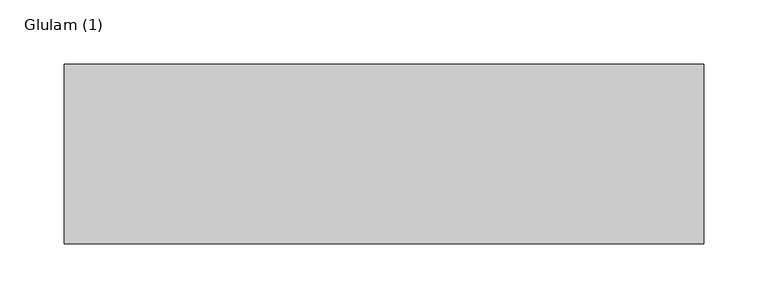
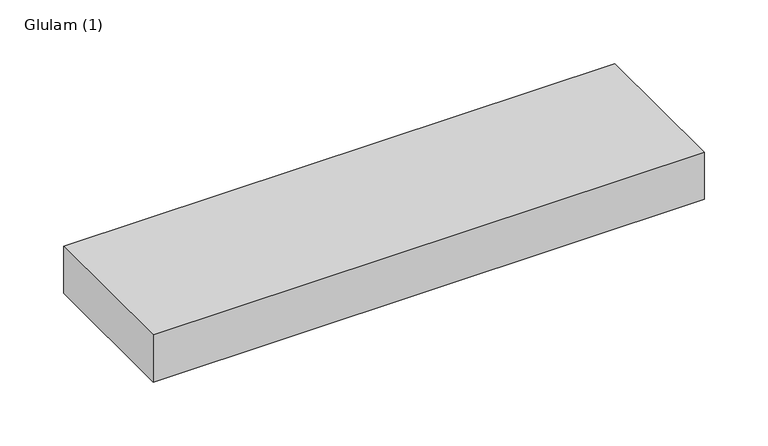
"""IFC4 building model written with IfcOpenShell, lengths in millimetres: beam geometry, Glulam (1)."""

from ifc_helpers import new_model, si_unit, frame, origin, place, context, project, spatial, polyline, outline, extrude, source, transform, mapped, element, save


def glulam_1_ee9db6f6(model_context):
    return source(origin(), model_context, "Body", "SweptSolid", [
        extrude(outline(polyline([(250.0, 70.0), (250.0, -70.0), (-249.0, -70.0), (-249.0, 70.0), (250.0, 70.0)])), frame((0.0, 0.0, -22.5), z_axis=(0.0, 0.0, 1.0), x_axis=(1.0, 0.0, 0.0)), (0.0, 0.0, 1.0), 45.0),
    ])


if __name__ == "__main__":
    model = new_model("IFC4")
    model_context = context("Model", 3, world=origin())
    ifc_project = project(units=[si_unit("LENGTHUNIT", "METRE", prefix="MILLI")], contexts=[model_context])
    site = spatial("IfcSite", under=ifc_project)
    building = spatial("IfcBuilding", under=site)
    placement = place(None, origin())
    glulam_1_shape = glulam_1_ee9db6f6(model_context)
    element("IfcBeam", 1, ObjectType="Glulam (1)", at=placement, inside=building, context=model_context, shape_type="MappedRepresentation", body=[
        mapped(glulam_1_shape, transform((0.0, 0.0, 0.0), x_axis=(1.0, 0.0, 0.0), y_axis=(0.0, 1.0, 0.0), z_axis=(0.0, 0.0, 1.0))),
    ])
    save(model, "model.ifc")
